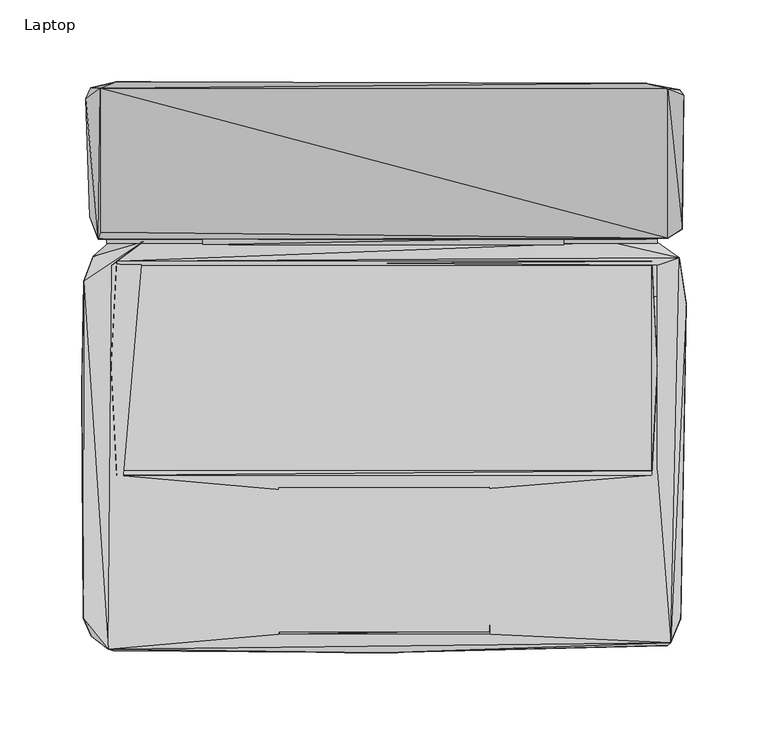
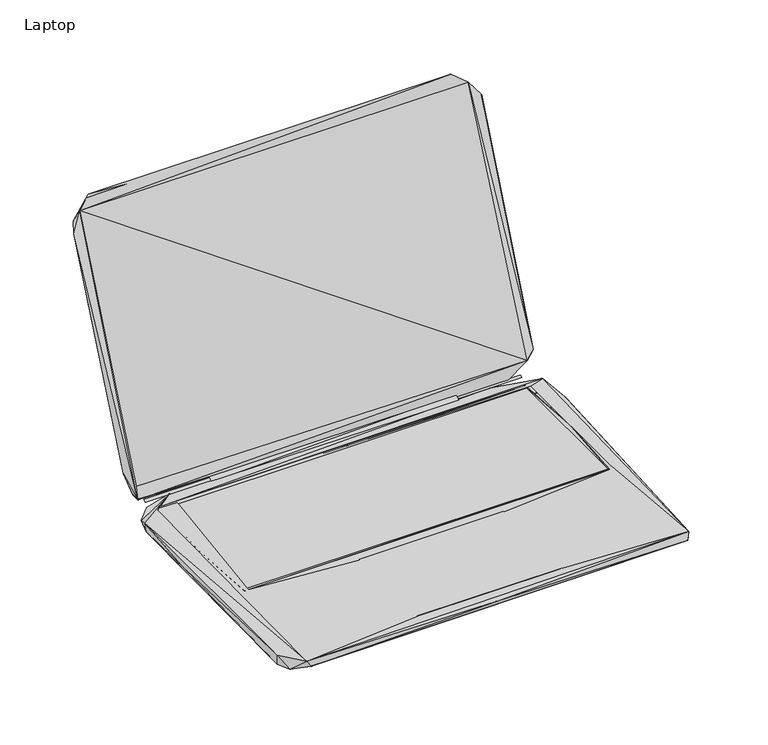
"""IFC4 building model written with IfcOpenShell, lengths in millimetres: furniture geometry, Laptop."""

import ifcopenshell
import ifcopenshell.guid

model = None  # the IFC model being written
_history = None  # IfcOwnerHistory: only IFC2X3 demands one
_inside = {}  # id of a spatial element -> (the spatial element, [elements in it])
_under = {}  # id of a project, library or spatial element -> (it, [spatial elements below it])
_declared = {}  # id of a project -> (the project, [libraries it declares])
_typed = {}  # id of a type object -> (the type object, [elements of that type])
_made_of = {}  # id of a material, layer set ... -> (it, [elements and type objects made of it])


def new_model(schema):
    """Start an empty IFC model of exactly this schema.

    Asked for "IFC4X3", IfcOpenShell would pick the latest addendum, in which some entities
    have other attributes; the version numbers below select the first issue.
    IFC2X3 requires an IfcOwnerHistory on every rooted entity: one is made here for all.
    """
    global model, _history
    if schema == "IFC4X3":
        model = ifcopenshell.file(schema_version=(4, 3, 0, 0))
    else:
        model = ifcopenshell.file(schema=schema)
    _inside.clear()
    _under.clear()
    _declared.clear()
    _typed.clear()
    _made_of.clear()
    _history = None
    if model.schema == "IFC2X3":
        org = make("IfcOrganization", Name="unknown")
        user = make(
            "IfcPersonAndOrganization",
            ThePerson=make("IfcPerson", FamilyName="unknown"),
            TheOrganization=org,
        )
        app = make(
            "IfcApplication",
            ApplicationDeveloper=org,
            Version="unknown",
            ApplicationFullName="unknown",
            ApplicationIdentifier="unknown",
        )
        _history = make(
            "IfcOwnerHistory",
            OwningUser=user,
            OwningApplication=app,
            ChangeAction="ADDED",
            CreationDate=0,
        )
    return model


def make(cls, **values):
    """One entity of the class cls with the attributes given. An attribute that is None is left unset."""
    return model.create_entity(
        cls, **{name: value for name, value in values.items() if value is not None}
    )


def rooted(cls, **values):
    """An entity with a GlobalId (a new one), such as an element, a storey or a relation."""
    return make(cls, GlobalId=ifcopenshell.guid.new(), OwnerHistory=_history, **values)


def si_unit(unit_type, name, prefix=None):
    """IfcSIUnit, for example si_unit("LENGTHUNIT", "METRE", prefix="MILLI")."""
    return make("IfcSIUnit", UnitType=unit_type, Prefix=prefix, Name=name)


def assignment(units):
    """IfcUnitAssignment: the units of a project."""
    return None if units is None else make("IfcUnitAssignment", Units=units)


def point(xyz):
    """IfcCartesianPoint."""
    return None if xyz is None else make("IfcCartesianPoint", Coordinates=xyz)


def direction(xyz):
    """IfcDirection."""
    return None if xyz is None else make("IfcDirection", DirectionRatios=xyz)


def frame(location, z_axis=None, x_axis=None):
    """IfcAxis2Placement3D, a coordinate frame: its origin and axes. An axis left out is left unset."""
    return make(
        "IfcAxis2Placement3D",
        Location=point(location),
        Axis=direction(z_axis),
        RefDirection=direction(x_axis),
    )


def origin():
    """The frame at (0, 0, 0) with its axes left unset."""
    return frame((0.0, 0.0, 0.0))


def place(relative_to, where):
    """IfcLocalPlacement: puts the frame where relative to a parent placement (None: the world)."""
    return make(
        "IfcLocalPlacement", PlacementRelTo=relative_to, RelativePlacement=where
    )


def context(
    kind, dimensions, precision=None, world=None, true_north=None, identifier=None
):
    """IfcGeometricRepresentationContext, for example the 3D "Model" context."""
    return make(
        "IfcGeometricRepresentationContext",
        ContextIdentifier=identifier,
        ContextType=kind,
        CoordinateSpaceDimension=dimensions,
        Precision=precision,
        WorldCoordinateSystem=world,
        TrueNorth=true_north,
    )


def project(units=None, contexts=None):
    """IfcProject with its units and contexts."""
    return rooted(
        "IfcProject",
        Name="project",
        RepresentationContexts=contexts,
        UnitsInContext=assignment(units),
    )


def spatial(cls, under=None, at=None, **own):
    """A site, building, storey or space (cls), placed at a placement, below another one or the project."""
    s = rooted(cls, ObjectPlacement=at, **own)
    if under is not None:
        _under.setdefault(under.id(), (under, []))[1].append(s)
    return s


def point_list(points):
    """IfcCartesianPointList2D or 3D."""
    cls = (
        "IfcCartesianPointList2D" if len(points[0]) == 2 else "IfcCartesianPointList3D"
    )
    return make(cls, CoordList=points)


def triangles(points, corners, closed=None, point_numbers=None):
    """IfcTriangulatedFaceSet: each triangle names its three corners, points numbered from 1."""
    return make(
        "IfcTriangulatedFaceSet",
        Coordinates=point_list(points),
        Closed=closed,
        CoordIndex=corners,
        PnIndex=point_numbers,
    )


def shape(context_of_items, identifier, shape_type, items):
    """IfcShapeRepresentation: the items that make up one representation, for example the "Body"."""
    return make(
        "IfcShapeRepresentation",
        ContextOfItems=context_of_items,
        RepresentationIdentifier=identifier,
        RepresentationType=shape_type,
        Items=items,
    )


def source(mapping_origin, context_of_items, identifier, shape_type, items):
    """IfcRepresentationMap: a shape defined once, which mapped items show again and again."""
    return make(
        "IfcRepresentationMap",
        MappingOrigin=mapping_origin,
        MappedRepresentation=shape(context_of_items, identifier, shape_type, items),
    )


def transform(
    local_origin,
    x_axis=None,
    y_axis=None,
    z_axis=None,
    scale=None,
    scale2=None,
    scale3=None,
    uniform=True,
):
    """IfcCartesianTransformationOperator3D, or its non-uniform kind. x_axis, y_axis, z_axis: its Axis1, 2, 3."""
    if uniform:
        return make(
            "IfcCartesianTransformationOperator3D",
            Axis1=direction(x_axis),
            Axis2=direction(y_axis),
            LocalOrigin=point(local_origin),
            Scale=scale,
            Axis3=direction(z_axis),
        )
    return make(
        "IfcCartesianTransformationOperator3DnonUniform",
        Axis1=direction(x_axis),
        Axis2=direction(y_axis),
        LocalOrigin=point(local_origin),
        Scale=scale,
        Axis3=direction(z_axis),
        Scale2=scale2,
        Scale3=scale3,
    )


def mapped(mapping_source, mapping_target):
    """IfcMappedItem: shows the shape of a source again, moved by a transform."""
    return make(
        "IfcMappedItem", MappingSource=mapping_source, MappingTarget=mapping_target
    )


def made_of(thing, what):
    """Note that an element or type object is made of a material, layer set ...; save() writes the relation."""
    if what is not None:
        _made_of.setdefault(what.id(), (what, []))[1].append(thing)
    return thing


def element(
    cls,
    number,
    at=None,
    inside=None,
    cuts=None,
    type_object=None,
    material=None,
    context=None,
    identifier="Body",
    shape_type=None,
    held_by="IfcProductDefinitionShape",
    body=None,
    shapes=None,
    **own,
):
    """One element of the class cls, such as IfcWall. Its Tag is "e" and its number.

    at: its placement. inside: the storey or other place that contains it. cuts: it is an
    opening in that element (IfcRelVoidsElement). A single representation is given by context,
    identifier, shape_type and body (its items); several are given by shapes. held_by: the class
    of the entity that holds the representations. save() writes the other relations.
    """
    e = rooted(cls, Tag="e%d" % number, ObjectPlacement=at, **own)
    if body is not None:
        shapes = [shape(context, identifier, shape_type, body)]
    if shapes is not None:
        e.Representation = make(held_by, Representations=shapes)
    if inside is not None:
        _inside.setdefault(inside.id(), (inside, []))[1].append(e)
    if cuts is not None:
        rooted(
            "IfcRelVoidsElement", RelatingBuildingElement=cuts, RelatedOpeningElement=e
        )
    if type_object is not None:
        _typed.setdefault(type_object.id(), (type_object, []))[1].append(e)
    return made_of(e, material)


def aggregate(whole, parts):
    """IfcRelAggregates: a whole, such as a stair, and the parts it consists of."""
    return rooted("IfcRelAggregates", RelatingObject=whole, RelatedObjects=parts)


def save(model, path):
    """Write the relations noted so far, then the file.

    IfcRelAggregates (storeys below a building ...), IfcRelContainedInSpatialStructure (elements
    in a storey), IfcRelDefinesByType, IfcRelAssociatesMaterial and IfcRelDeclares: one each for
    every whole, place, type object, material and project.
    """
    for whole, parts in _under.values():
        aggregate(whole, parts)
    for where, things in _inside.values():
        rooted(
            "IfcRelContainedInSpatialStructure",
            RelatedElements=things,
            RelatingStructure=where,
        )
    for kind, things in _typed.values():
        rooted("IfcRelDefinesByType", RelatedObjects=things, RelatingType=kind)
    for what, things in _made_of.values():
        rooted("IfcRelAssociatesMaterial", RelatedObjects=things, RelatingMaterial=what)
    for by, libraries in _declared.values():
        rooted("IfcRelDeclares", RelatingContext=by, RelatedDefinitions=libraries)
    model.write(path)


def laptop_47bd3c75(model_context):
    return source(origin(), model_context, "Body", "Tessellation", [
        triangles([(-110.8122223, 74.627794, 10.6596248), (109.6013406, 74.6278076, 10.6596248), (109.7013345, 79.027807, 13.559625), (-110.8122223, 79.1277919, 13.559625), (-177.7495428, 67.5618145, 1.9875597), (-147.0631074, 76.4618118, 11.2875593), (-168.0495353, 76.0618135, 5.7875595), (179.8283585, 64.0618283, 1.3875597), (-175.7495377, 83.7618113, 15.6875588), (179.7283646, 88.3618303, 24.887557), (153.6283589, 77.6618294, 9.9875603), (-174.5495383, 78.161817, 13.8875596), (-173.4495509, 82.3618059, 23.5875592), (-173.4495691, 170.0837498, 230.6309262), (173.2283617, 78.5618289, 23.5875592), (-182.3495527, 163.7837528, 215.930915), (-169.4495407, 75.7618182, 11.0875602), (166.7283587, 75.7618318, 11.0875602), (-169.4495407, 78.161817, 12.3875592), (166.7283587, 78.1618261, 12.3875592), (138.5419342, 76.361827, 10.7875592), (166.8283708, 76.261824, 5.8875596), (-166.3495482, 62.0618141, 11.38756), (-163.1495437, 64.7618083, 11.38756), (-163.1495437, 62.1618125, 10.6875596), (163.4283603, 64.7618264, 11.38756), (166.7283587, 62.1618307, 11.4875596), (180.1283584, 66.761827, 11.1875598), (163.4283603, 62.1618307, 10.6875596), (181.8283636, 84.2618262, 27.087559), (173.2283617, 169.9837741, 230.7309201), (183.028363, 165.9837639, 217.9309201), (180.4283401, 169.2837623, 219.6309072), (-179.2495603, 170.3837315, 222.6309239), (-163.4495617, 174.0837419, 240.2309216), (159.4283501, 173.2837725, 240.9309152), (-183.6495279, -153.3039964, 10.6875596), (-182.5495224, -150.8039946, 0.2875598), (-178.8495302, -164.2039852, 2.0875598), (-168.349517, -172.3039813, 11.1875598), (-184.5495456, -12.9601214, 6.4875599), (-183.349528, 52.5508394, 10.0875599), (-180.9495473, 54.1508417, 0.2875598), (180.9283822, -153.7039538, 0.3875598), (-165.1495306, -173.3039929, 5.9875598), (172.92838, -170.0039582, 4.2875599), (-0.1173525, -174.3039864, 9.9875603), (-64.390233, -163.2039917, 11.4875596), (-62.6902369, -74.8820436, 10.9875595), (174.828373, -168.403965, 11.2875593), (64.6690632, -163.2039917, 11.4875596), (-166.549536, -63.3820506, 11.4875596), (-162.9495559, -66.0820538, 11.4875596), (-64.390233, -161.8039681, 11.0875602), (64.269074, -161.7039742, 11.0875602), (64.069068, -73.4820427, 11.0875602), (-64.4902269, -73.5820457, 11.0875602), (-63.4902335, -159.8039812, 10.9875595), (62.0690675, -161.1039745, 10.9875595), (62.1690659, -74.18205, 10.9875595), (184.3283564, 38.5508627, 8.7875592), (163.4283603, -66.0820402, 11.4875596), (166.7283587, -63.3820369, 11.4875596), (182.5283572, 42.6508668, 0.1875598), (-163.1495437, -66.0820538, 11.38756), (163.4283603, -63.3820369, 10.6875596), (-163.1495437, -63.3820506, 10.6875596), (-166.549536, 0.539879, 11.38756), (166.7283587, -1.7601033, 11.38756), (-179.8495418, 91.6618197, 32.1875588)], [[1, 2, 3], [1, 3, 4], [5, 6, 7], [5, 7, 8], [9, 10, 11], [9, 11, 12], [12, 13, 14], [12, 11, 15], [12, 15, 13], [12, 14, 16], [17, 18, 19], [19, 18, 20], [7, 6, 21], [7, 21, 22], [7, 22, 8], [23, 24, 6], [24, 25, 26], [24, 21, 6], [24, 27, 28], [24, 28, 21], [25, 29, 26], [21, 28, 22], [11, 30, 15], [11, 10, 30], [22, 28, 8], [15, 30, 31], [10, 32, 30], [10, 33, 32], [30, 32, 31], [16, 14, 34], [34, 35, 33], [34, 14, 35], [14, 36, 35], [14, 31, 36], [35, 36, 33], [36, 31, 33], [31, 32, 33], [37, 38, 39], [37, 39, 40], [37, 41, 38], [37, 42, 41], [37, 40, 42], [38, 41, 43], [38, 44, 39], [38, 43, 44], [39, 45, 40], [39, 46, 45], [39, 44, 46], [40, 23, 6], [40, 45, 47], [40, 48, 49], [40, 47, 50], [40, 51, 48], [40, 50, 51], [40, 52, 23], [40, 53, 52], [40, 49, 53], [40, 6, 42], [45, 46, 47], [54, 55, 56], [54, 56, 57], [48, 58, 49], [48, 59, 58], [48, 51, 59], [47, 46, 50], [51, 50, 60], [46, 44, 50], [50, 61, 28], [50, 44, 61], [50, 62, 60], [50, 63, 62], [50, 27, 63], [50, 28, 27], [44, 64, 61], [44, 43, 64], [65, 66, 67], [65, 62, 66], [65, 67, 68], [67, 25, 68], [53, 49, 60], [53, 60, 62], [66, 62, 69], [66, 69, 29], [41, 42, 43], [68, 25, 24], [69, 26, 29], [42, 5, 43], [42, 6, 5], [43, 5, 8], [43, 8, 64], [64, 8, 61], [61, 8, 28], [70, 9, 12], [70, 12, 16], [70, 10, 9], [70, 34, 33], [70, 33, 10], [70, 16, 34]], closed=False),
        triangles([(-163.1627697, -63.4161237, 10.6379669), (163.3643744, -63.4161101, 10.6379669), (-163.1627697, 62.2339511, 10.6379669), (163.3643744, 62.2339648, 10.6379669)], [[1, 2, 3], [2, 4, 3]], closed=False),
        triangles([(-173.4428653, 82.3395871, 23.5443364), (173.2898041, 78.539601, 23.5443364), (-173.4428834, 170.1375074, 230.6010043), (173.289786, 169.9375378, 230.6010043)], [[1, 2, 3], [2, 4, 3]], closed=False),
    ])


if __name__ == "__main__":
    model = new_model("IFC4")
    model_context = context("Model", 3, world=origin())
    ifc_project = project(units=[si_unit("LENGTHUNIT", "METRE", prefix="MILLI")], contexts=[model_context])
    site = spatial("IfcSite", under=ifc_project)
    building = spatial("IfcBuilding", under=site)
    placement = place(None, origin())
    laptop_shape = laptop_47bd3c75(model_context)
    element("IfcFurniture", 1, ObjectType="Laptop", at=placement, inside=building, context=model_context, shape_type="MappedRepresentation", body=[
        mapped(laptop_shape, transform((0.0, 0.0, 0.0), x_axis=(1.0, 0.0, 0.0), y_axis=(0.0, 1.0, 0.0), z_axis=(0.0, 0.0, 1.0))),
    ])
    save(model, "model.ifc")
